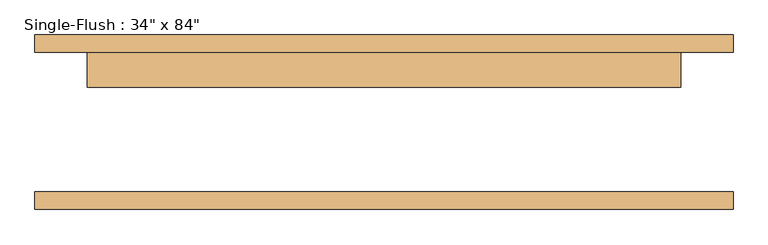
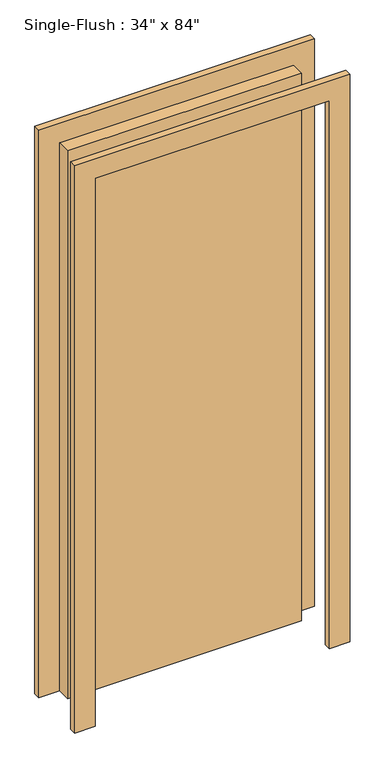
"""IFC4 building model written with IfcOpenShell, lengths in millimetres: door geometry."""

from ifc_helpers import new_model, si_unit, frame, origin, origin_with_axes, place, context, project, spatial, polyline, outline, extrude, source, transform, mapped, element, save


def door_f75d31f8(model_context):
    return source(origin(), model_context, "Body", "SweptSolid", [
        extrude(outline(polyline([(2209.8, -508.0), (0.0, -508.0), (0.0, -431.8), (2133.6, -431.8), (2133.6, 431.8), (0.0, 431.8), (0.0, 508.0), (2209.8, 508.0), (2209.8, -508.0)])), frame((0.0, 101.6, 0.0), z_axis=(0.0, 1.0, 0.0), x_axis=(0.0, 0.0, 1.0)), (0.0, 0.0, 1.0), 25.4),
        extrude(outline(polyline([(2209.8, 508.0), (2209.8, -508.0), (0.0, -508.0), (0.0, -431.8), (2133.6, -431.8), (2133.6, 431.8), (0.0, 431.8), (0.0, 508.0), (2209.8, 508.0)])), frame((0.0, -127.0, 0.0), z_axis=(0.0, 1.0, 0.0), x_axis=(0.0, 0.0, 1.0)), (0.0, 0.0, 1.0), 25.4),
        extrude(outline(polyline([(431.8, 50.8), (-431.8, 50.8), (-431.8, 101.6), (431.8, 101.6), (431.8, 50.8)])), origin_with_axes(), (0.0, 0.0, 1.0), 2133.6),
    ])


if __name__ == "__main__":
    model = new_model("IFC4")
    model_context = context("Model", 3, world=origin())
    ifc_project = project(units=[si_unit("LENGTHUNIT", "METRE", prefix="MILLI")], contexts=[model_context])
    site = spatial("IfcSite", under=ifc_project)
    building = spatial("IfcBuilding", under=site)
    placement = place(None, origin())
    door_shape = door_f75d31f8(model_context)
    element("IfcDoor", 1, ObjectType="Single-Flush : 34\" x 84\"", at=placement, inside=building, context=model_context, shape_type="MappedRepresentation", body=[
        mapped(door_shape, transform((0.0, 0.0, 0.0), x_axis=(1.0, 0.0, 0.0), y_axis=(0.0, 1.0, 0.0), z_axis=(0.0, 0.0, 1.0))),
    ])
    save(model, "model.ifc")
